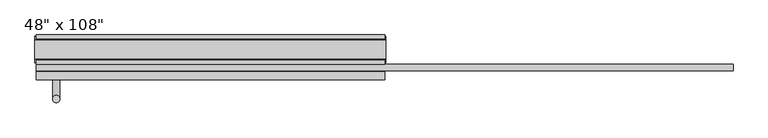
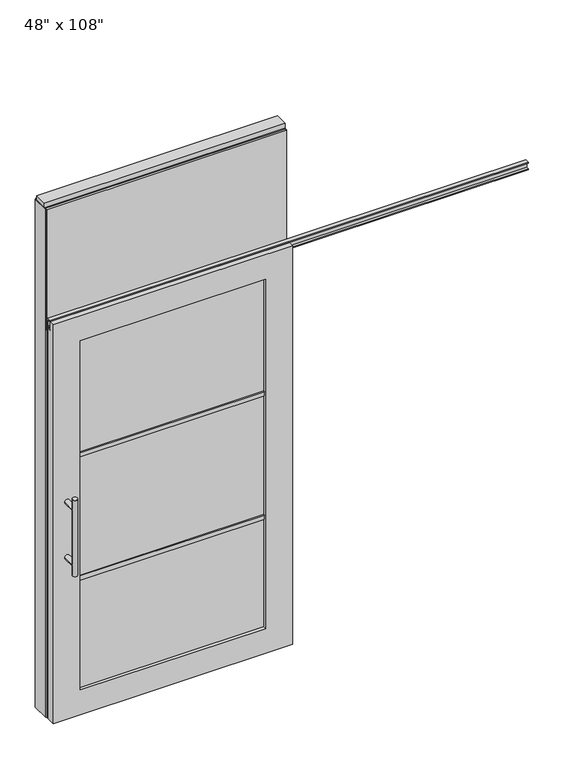
"""IFC4 building model written with IfcOpenShell, lengths in millimetres: furniture geometry."""

from ifc_helpers import new_model, si_unit, frame, origin, origin_with_axes, place, context, project, spatial, polyline, circle_curve, ellipse_curve, outline, extrude, faceted_brep, source, transform, mapped, element, save
from ifc_brep_helpers import plane_surface, cylinder_surface, advanced_brep


def furniture_3574e4a7(model_context):
    return source(origin(), model_context, "Body", "SolidModel", [
        extrude(outline(polyline([(545.6264771, 46.2822784), (545.6264771, 33.5822784), (-665.6995229, 33.5822784), (-665.6995229, 46.2822784), (545.6264771, 46.2822784)])), frame((0.0, 0.0, 2133.6), z_axis=(0.0, 0.0, 1.0), x_axis=(1.0, 0.0, 0.0)), (0.0, 0.0, 1.0), 584.2),
        extrude(outline(polyline([(545.6264771, -55.3177216), (-665.6995229, -55.3177216), (-665.6995229, -42.6177216), (545.6264771, -42.6177216), (545.6264771, -55.3177216)])), frame((0.0, 0.0, 2133.6), z_axis=(0.0, 0.0, 1.0), x_axis=(1.0, 0.0, 0.0)), (0.0, 0.0, 1.0), 584.2),
        advanced_brep(
        [(-608.4225229, 3.3562784, 1219.2), (-583.0225229, 3.3562784, 1219.2), (-608.4225229, 3.3562784, 812.8), (-583.0225229, 3.3562784, 812.8), (-583.0225229, 3.3562784, 1164.336), (-583.0225229, 3.3562784, 867.664), (-608.4225229, 3.3562784, 867.664), (-608.4225229, 3.3562784, 1164.336), (-608.4225229, -64.2077216, 1164.336), (-583.0225229, -64.2077216, 1164.336), (-608.4225229, -64.2077216, 867.664), (-583.0225229, -64.2077216, 867.664)],
        [
            (0, 1, circle_curve(frame((-595.7225229, 3.3562784, 1219.2), z_axis=(0.0, 0.0, 1.0), x_axis=(1.0, 0.0, 0.0)), 12.7)),
            (1, 0, circle_curve(frame((-595.7225229, 3.3562784, 1219.2), z_axis=(0.0, 0.0, 1.0), x_axis=(1.0, 0.0, 0.0)), 12.7)),
            (2, 3, circle_curve(frame((-595.7225229, 3.3562784, 812.8), z_axis=(0.0, 0.0, -1.0), x_axis=(1.0, 0.0, 0.0)), 12.7)),
            (3, 2, circle_curve(frame((-595.7225229, 3.3562784, 812.8), z_axis=(0.0, 0.0, -1.0), x_axis=(1.0, 0.0, 0.0)), 12.7)),
            (1, 4),
            (4, 5),
            (5, 3),
            (2, 6),
            (6, 7),
            (7, 0),
            (6, 5, ellipse_curve(frame((-595.7225229, 3.3562784, 867.664), z_axis=(0.0, 0.707106781186565, 0.70710678118653), x_axis=(0.0, -0.70710678118653, 0.707106781186565)), 17.9605122, 12.7)),
            (4, 7, ellipse_curve(frame((-595.7225229, 3.3562784, 1164.336), z_axis=(0.0, 0.70710678118653, -0.7071067811865649), x_axis=(0.0, 0.7071067811865648, 0.7071067811865301)), 17.9605122, 12.7)),
            (7, 4, ellipse_curve(frame((-595.7225229, 3.3562784, 1164.336), z_axis=(0.0, 0.707106781186565, 0.70710678118653), x_axis=(0.0, -0.70710678118653, 0.707106781186565)), 17.9605122, 12.7)),
            (5, 6, ellipse_curve(frame((-595.7225229, 3.3562784, 867.664), z_axis=(0.0, 0.70710678118653, -0.7071067811865649), x_axis=(0.0, 0.7071067811865648, 0.7071067811865301)), 17.9605122, 12.7)),
            (8, 9, circle_curve(frame((-595.7225229, -64.2077216, 1164.336), z_axis=(0.0, -1.0, 0.0), x_axis=(1.0, 0.0, 0.0)), 12.7)),
            (9, 8, circle_curve(frame((-595.7225229, -64.2077216, 1164.336), z_axis=(0.0, -1.0, 0.0), x_axis=(1.0, 0.0, 0.0)), 12.7)),
            (8, 7),
            (4, 9),
            (10, 11, circle_curve(frame((-595.7225229, -64.2077216, 867.664), z_axis=(0.0, -1.0, 0.0), x_axis=(1.0, 0.0, 0.0)), 12.7)),
            (11, 10, circle_curve(frame((-595.7225229, -64.2077216, 867.664), z_axis=(0.0, -1.0, 0.0), x_axis=(1.0, 0.0, 0.0)), 12.7)),
            (10, 6),
            (5, 11),
        ],
        [
            plane_surface(frame((-583.0225229, 3.3562784, 1219.2), z_axis=(0.0, 0.0, 1.0), x_axis=(0.0, -1.0, 0.0))),
            plane_surface(frame((-583.0225229, 3.3562784, 812.8), z_axis=(0.0, 0.0, -1.0), x_axis=(0.0, 1.0, 0.0))),
            cylinder_surface(frame((-595.7225229, 3.3562784, 812.8), z_axis=(0.0, 0.0, 1.0), x_axis=(1.0, 0.0, 0.0)), 12.7),
            plane_surface(frame((-583.0225229, -64.2077216, 1164.336), z_axis=(0.0, -1.0, 0.0), x_axis=(0.0, 0.0, -1.0))),
            cylinder_surface(frame((-595.7225229, -64.2077216, 1164.336), z_axis=(0.0, 1.0, 0.0), x_axis=(1.0, 0.0, 0.0)), 12.7),
            plane_surface(frame((-583.0225229, -64.2077216, 867.664), z_axis=(0.0, -1.0, 0.0), x_axis=(0.0, 0.0, -1.0))),
            cylinder_surface(frame((-595.7225229, -64.2077216, 867.664), z_axis=(0.0, 1.0, 0.0), x_axis=(1.0, 0.0, 0.0)), 12.7),
        ],
        [
            (0, [[1, 2]]),
            (1, [[3, 4]]),
            (2, [[5, 6, 7, -3, 8, 9, 10, -2]]),
            (2, [[-9, 11, -6, 12]]),
            (2, [[-10, 13, -5, -1]]),
            (2, [[-7, 14, -8, -4]]),
            (3, [[15, 16]]),
            (4, [[17, -12, 18, -15]]),
            (4, [[-18, -13, -17, -16]]),
            (5, [[19, 20]]),
            (6, [[21, -14, 22, -19]]),
            (6, [[-22, -11, -21, -20]]),
        ],
    ),
        advanced_brep(
        [(-608.4225229, -176.2217216, 1219.2), (-583.0225229, -176.2217216, 1219.2), (-608.4225229, -176.2217216, 812.8), (-583.0225229, -176.2217216, 812.8), (-608.4225229, -176.2217216, 1164.336), (-608.4225229, -176.2217216, 867.664), (-583.0225229, -176.2217216, 867.664), (-583.0225229, -176.2217216, 1164.336), (-608.4225229, -108.6577216, 1164.336), (-583.0225229, -108.6577216, 1164.336), (-608.4225229, -108.6577216, 867.664), (-583.0225229, -108.6577216, 867.664)],
        [
            (0, 1, circle_curve(frame((-595.7225229, -176.2217216, 1219.2), z_axis=(0.0, 0.0, 1.0), x_axis=(1.0, 0.0, 0.0)), 12.7)),
            (1, 0, circle_curve(frame((-595.7225229, -176.2217216, 1219.2), z_axis=(0.0, 0.0, 1.0), x_axis=(1.0, 0.0, 0.0)), 12.7)),
            (2, 3, circle_curve(frame((-595.7225229, -176.2217216, 812.8), z_axis=(0.0, 0.0, -1.0), x_axis=(1.0, 0.0, 0.0)), 12.7)),
            (3, 2, circle_curve(frame((-595.7225229, -176.2217216, 812.8), z_axis=(0.0, 0.0, -1.0), x_axis=(1.0, 0.0, 0.0)), 12.7)),
            (0, 4),
            (4, 5),
            (5, 2),
            (3, 6),
            (6, 7),
            (7, 1),
            (7, 4, ellipse_curve(frame((-595.7225229, -176.2217216, 1164.336), z_axis=(0.0, -0.707106781186565, 0.70710678118653), x_axis=(0.0, 0.70710678118653, 0.707106781186565)), 17.9605122, 12.7)),
            (5, 6, ellipse_curve(frame((-595.7225229, -176.2217216, 867.664), z_axis=(0.0, -0.70710678118653, -0.7071067811865649), x_axis=(0.0, -0.7071067811865648, 0.7071067811865301)), 17.9605122, 12.7)),
            (4, 7, ellipse_curve(frame((-595.7225229, -176.2217216, 1164.336), z_axis=(0.0, -0.70710678118653, -0.7071067811865649), x_axis=(0.0, -0.7071067811865648, 0.7071067811865301)), 17.9605122, 12.7)),
            (6, 5, ellipse_curve(frame((-595.7225229, -176.2217216, 867.664), z_axis=(0.0, -0.707106781186565, 0.70710678118653), x_axis=(0.0, 0.70710678118653, 0.707106781186565)), 17.9605122, 12.7)),
            (8, 9, circle_curve(frame((-595.7225229, -108.6577216, 1164.336), z_axis=(0.0, 1.0, 0.0), x_axis=(1.0, 0.0, 0.0)), 12.7)),
            (9, 8, circle_curve(frame((-595.7225229, -108.6577216, 1164.336), z_axis=(0.0, 1.0, 0.0), x_axis=(1.0, 0.0, 0.0)), 12.7)),
            (9, 7),
            (4, 8),
            (10, 11, circle_curve(frame((-595.7225229, -108.6577216, 867.664), z_axis=(0.0, 1.0, 0.0), x_axis=(1.0, 0.0, 0.0)), 12.7)),
            (11, 10, circle_curve(frame((-595.7225229, -108.6577216, 867.664), z_axis=(0.0, 1.0, 0.0), x_axis=(1.0, 0.0, 0.0)), 12.7)),
            (11, 6),
            (5, 10),
        ],
        [
            plane_surface(frame((-583.0225229, -176.2217216, 1219.2), z_axis=(0.0, 0.0, 1.0), x_axis=(0.0, 1.0, 0.0))),
            plane_surface(frame((-583.0225229, -176.2217216, 812.8), z_axis=(0.0, 0.0, -1.0), x_axis=(0.0, -1.0, 0.0))),
            cylinder_surface(frame((-595.7225229, -176.2217216, 812.8), z_axis=(0.0, 0.0, 1.0), x_axis=(1.0, 0.0, 0.0)), 12.7),
            plane_surface(frame((-583.0225229, -108.6577216, 1164.336), z_axis=(0.0, 1.0, 0.0), x_axis=(0.0, 0.0, -1.0))),
            cylinder_surface(frame((-595.7225229, -108.6577216, 1164.336), z_axis=(0.0, -1.0, 0.0), x_axis=(1.0, 0.0, 0.0)), 12.7),
            plane_surface(frame((-583.0225229, -108.6577216, 867.664), z_axis=(0.0, 1.0, 0.0), x_axis=(0.0, 0.0, -1.0))),
            cylinder_surface(frame((-595.7225229, -108.6577216, 867.664), z_axis=(0.0, -1.0, 0.0), x_axis=(1.0, 0.0, 0.0)), 12.7),
        ],
        [
            (0, [[1, 2]]),
            (1, [[3, 4]]),
            (2, [[-1, 5, 6, 7, -4, 8, 9, 10]]),
            (2, [[-2, -10, 11, -5]]),
            (2, [[-3, -7, 12, -8]]),
            (2, [[13, -9, 14, -6]]),
            (3, [[15, 16]]),
            (4, [[-16, 17, -13, 18]]),
            (4, [[-15, -18, -11, -17]]),
            (5, [[19, 20]]),
            (6, [[-20, 21, -12, 22]]),
            (6, [[-19, -22, -14, -21]]),
        ],
    ),
        extrude(outline(polyline([(-529.6825229, -97.5452216), (-529.6825229, -75.3202216), (409.6094771, -75.3202216), (409.6094771, -97.5452216), (-529.6825229, -97.5452216)])), frame((0.0, 0.0, 1371.6), z_axis=(0.0, 0.0, 1.0), x_axis=(1.0, 0.0, 0.0)), (0.0, 0.0, 1.0), 22.225),
        extrude(outline(polyline([(-529.6825229, -97.5452216), (-529.6825229, -75.3202216), (409.6094771, -75.3202216), (409.6094771, -97.5452216), (-529.6825229, -97.5452216)])), frame((0.0, 0.0, 711.2), z_axis=(0.0, 0.0, 1.0), x_axis=(1.0, 0.0, 0.0)), (0.0, 0.0, 1.0), 22.225),
        extrude(outline(polyline([(409.6094771, -91.5127216), (-529.6825229, -91.5127216), (-529.6825229, -81.3527216), (409.6094771, -81.3527216), (409.6094771, -91.5127216)])), frame((0.0, 0.0, 132.969), z_axis=(0.0, 0.0, 1.0), x_axis=(1.0, 0.0, 0.0)), (0.0, 0.0, 1.0), 1867.662),
        extrude(outline(polyline([(-77.9237216, 2097.278), (-77.9237216, 2102.612), (-65.2237216, 2102.612), (-65.2237216, 2131.568), (-77.9237216, 2131.568), (-77.9237216, 2136.902), (-56.2067216, 2136.902), (-56.2067216, 2097.278), (-77.9237216, 2097.278)])), frame((-665.6995229, 0.0, 0.0), z_axis=(1.0, 0.0, 0.0), x_axis=(0.0, 1.0, 0.0)), (0.0, 0.0, 1.0), 2422.652),
        faceted_brep([(-665.6995229, -108.6577216, 0.0), (545.6264771, -108.6577216, 0.0), (545.6264771, -108.6577216, 2133.6), (-665.6995229, -108.6577216, 2133.6), (409.6094771, -108.6577216, 2000.631), (409.6094771, -108.6577216, 132.969), (-529.6825229, -108.6577216, 132.969), (-529.6825229, -108.6577216, 2000.631), (-665.6995229, -81.2257216, 2133.6), (545.6264771, -81.2257216, 2133.6), (545.6264771, -81.2257216, 2089.023), (-665.6995229, -81.2257216, 2089.023), (-665.6995229, -64.2077216, 2089.023), (-665.6995229, -64.2077216, 0.0), (545.6264771, -64.2077216, 0.0), (545.6264771, -64.2077216, 2089.023), (409.6094771, -64.2077216, 2000.631), (-529.6825229, -64.2077216, 2000.631), (-529.6825229, -64.2077216, 132.969), (409.6094771, -64.2077216, 132.969)], [[[0, 1, 2, 3], [4, 5, 6, 7]], [[8, 9, 10, 11]], [[0, 3, 8, 11, 12, 13]], [[2, 1, 14, 15, 10, 9]], [[3, 2, 9, 8]], [[15, 14, 13, 12], [16, 17, 18, 19]], [[15, 12, 11, 10]], [[1, 0, 13, 14]], [[5, 4, 16, 19]], [[6, 5, 19, 18]], [[7, 6, 18, 17]], [[4, 7, 17, 16]]]),
        extrude(outline(polyline([(-42.6177216, 2681.478), (-42.6177216, 2717.8), (33.5822784, 2717.8), (33.5822784, 2681.478), (28.6292784, 2681.478), (28.6292784, 2676.525), (-37.6647216, 2676.525), (-37.6647216, 2681.478), (-42.6177216, 2681.478)])), frame((-665.6995229, 0.0, 0.0), z_axis=(1.0, 0.0, 0.0), x_axis=(0.0, 1.0, 0.0)), (0.0, 0.0, 1.0), 1211.326),
        extrude(outline(polyline([(-665.6995229, -55.3177216), (-665.6995229, 46.2822784), (545.6264771, 46.2822784), (545.6264771, -55.3177216), (-665.6995229, -55.3177216)])), frame((0.0, 0.0, 2070.1), z_axis=(0.0, 0.0, 1.0), x_axis=(1.0, 0.0, 0.0)), (0.0, 0.0, 1.0), 22.225),
        extrude(outline(polyline([(-55.3177216, 2097.278), (-55.3177216, 2133.6), (46.2822784, 2133.6), (46.2822784, 2097.278), (41.3292784, 2097.278), (41.3292784, 2092.325), (-50.3647216, 2092.325), (-50.3647216, 2097.278), (-55.3177216, 2097.278)])), frame((-665.6995229, 0.0, 0.0), z_axis=(1.0, 0.0, 0.0), x_axis=(0.0, 1.0, 0.0)), (0.0, 0.0, 1.0), 1211.326),
        extrude(outline(polyline([(549.5634771, -50.3647216), (545.6264771, -50.3647216), (545.6264771, 41.3292784), (549.5634771, 41.3292784), (549.5634771, -50.3647216)])), origin_with_axes(), (0.0, 0.0, 1.0), 2717.8),
        extrude(outline(polyline([(-669.6365229, -50.3647216), (-669.6365229, 41.3292784), (-665.6995229, 41.3292784), (-665.6995229, -50.3647216), (-669.6365229, -50.3647216)])), origin_with_axes(), (0.0, 0.0, 1.0), 2717.8),
        extrude(outline(polyline([(523.4014771, -55.3177216), (523.4014771, 46.2822784), (545.6264771, 46.2822784), (545.6264771, -55.3177216), (523.4014771, -55.3177216)])), origin_with_axes(), (0.0, 0.0, 1.0), 2070.1),
        extrude(outline(polyline([(-643.4745229, -55.3177216), (-665.6995229, -55.3177216), (-665.6995229, 46.2822784), (-643.4745229, 46.2822784), (-643.4745229, -55.3177216)])), origin_with_axes(), (0.0, 0.0, 1.0), 2070.1),
        extrude(outline(polyline([(-669.6365229, -37.0297216), (-669.6365229, 27.9942784), (549.5634771, 27.9942784), (549.5634771, -37.0297216), (-669.6365229, -37.0297216)])), frame((0.0, 0.0, 2717.8), z_axis=(0.0, 0.0, 1.0), x_axis=(1.0, 0.0, 0.0)), (0.0, 0.0, 1.0), 25.4),
    ])


if __name__ == "__main__":
    model = new_model("IFC4")
    model_context = context("Model", 3, world=origin())
    ifc_project = project(units=[si_unit("LENGTHUNIT", "METRE", prefix="MILLI")], contexts=[model_context])
    site = spatial("IfcSite", under=ifc_project)
    building = spatial("IfcBuilding", under=site)
    placement = place(None, origin())
    furniture_shape = furniture_3574e4a7(model_context)
    element("IfcFurniture", 1, ObjectType="48\" x 108\"", at=placement, inside=building, context=model_context, shape_type="MappedRepresentation", body=[
        mapped(furniture_shape, transform((0.0, 0.0, 0.0), x_axis=(1.0, 0.0, 0.0), y_axis=(0.0, 1.0, 0.0), z_axis=(0.0, 0.0, 1.0))),
    ])
    save(model, "model.ifc")
